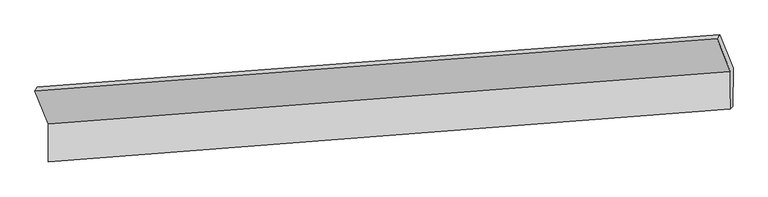
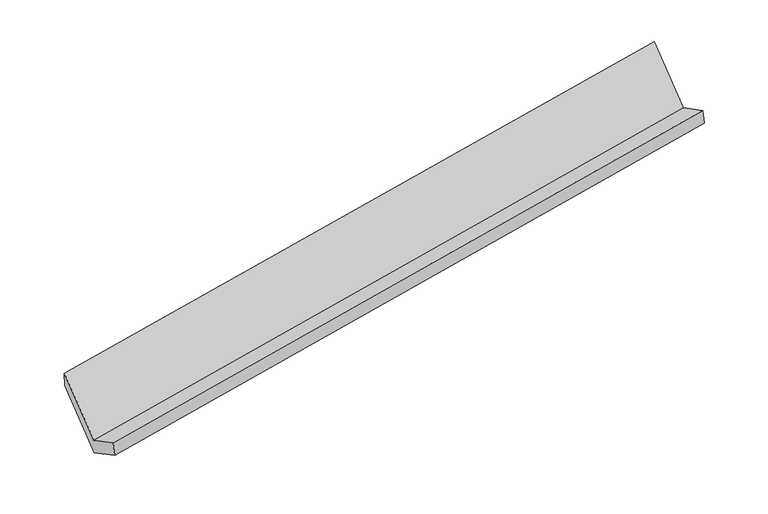
"""IFC4 building model written with IfcOpenShell, lengths in millimetres: proxy geometry."""

from ifc_helpers import new_model, si_unit, origin, place, context, project, spatial, faceted_brep, source, transform, mapped, element, save


def generic_models_84a72bc0(model_context):
    return source(origin(), model_context, "Body", "Brep", [
        faceted_brep([(-6005.1452896, -1751.8699256, 1204.4898422), (-6006.876342, -2102.9552736, 1390.1714352), (340.5654443, -1611.5374344, 2485.4641927), (342.2964967, -1260.4520865, 2299.7825997), (-5981.8284102, -2080.7484765, 1230.7467071), (365.613376, -1589.3306374, 2326.0394646), (-5980.0492137, -1719.8987251, 1039.9009283), (367.3925726, -1228.4808859, 2135.1936858), (-6105.7754252, -1407.9540579, 1628.5514327), (242.593604, -918.8368409, 2719.5028358), (-6129.6935022, -1442.8480418, 1787.6249522), (218.675527, -953.7308248, 2878.5763553)], [[[0, 1, 2, 3]], [[1, 4, 5, 2]], [[4, 6, 7, 5]], [[6, 8, 9, 7]], [[8, 10, 11, 9]], [[10, 0, 3, 11]], [[9, 11, 3, 2, 5, 7]], [[0, 10, 8, 6, 4, 1]]]),
    ])


if __name__ == "__main__":
    model = new_model("IFC4")
    model_context = context("Model", 3, world=origin())
    ifc_project = project(units=[si_unit("LENGTHUNIT", "METRE", prefix="MILLI")], contexts=[model_context])
    site = spatial("IfcSite", under=ifc_project)
    building = spatial("IfcBuilding", under=site)
    placement = place(None, origin())
    generic_models_shape = generic_models_84a72bc0(model_context)
    element("IfcBuildingElementProxy", 1, Name="Generic Models", at=placement, inside=building, context=model_context, shape_type="MappedRepresentation", body=[
        mapped(generic_models_shape, transform((0.0, 0.0, 0.0), x_axis=(1.0, 0.0, 0.0), y_axis=(0.0, 1.0, 0.0), z_axis=(0.0, 0.0, 1.0))),
    ])
    save(model, "model.ifc")
